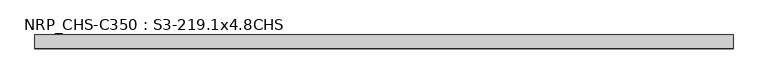
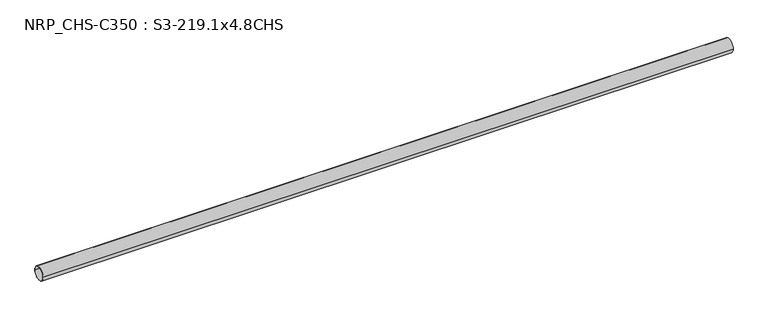
"""IFC4 building model written with IfcOpenShell, lengths in millimetres: beam geometry, NRP_CHS-C350 : S3-219.1x4.8CHS."""

from ifc_helpers import new_model, si_unit, point, frame, origin, origin_2d, place, context, project, spatial, circle_curve, trimmed, segment, composite_curve, outline, extrude, source, transform, mapped, element, save


def nrp_chs_c350_s3_219_1x4_8chs_9f10acbe(model_context):
    return source(origin(), model_context, "Body", "SweptSolid", [
        extrude(outline(composite_curve([segment(trimmed(circle_curve(origin_2d(), 109.55), [point((-109.55, 0.0))], [point((109.55, 0.0))], False, "CARTESIAN"), True, "CONTINUOUS"), segment(trimmed(circle_curve(origin_2d(), 109.55), [point((109.55, 0.0))], [point((-109.55, 0.0))], False, "CARTESIAN"), True, "CONTINUOUS")], self_intersect=False), holes=[composite_curve([segment(trimmed(circle_curve(origin_2d(), 104.75), [point((104.75, 0.0))], [point((-104.75, 0.0))], True, "CARTESIAN"), True, "CONTINUOUS"), segment(trimmed(circle_curve(origin_2d(), 104.75), [point((-104.75, 0.0))], [point((104.75, 0.0))], True, "CARTESIAN"), True, "CONTINUOUS")], self_intersect=False)]), frame((-5542.3, 0.0, 0.0), z_axis=(1.0, 0.0, 0.0), x_axis=(0.0, 1.0, 0.0)), (0.0, 0.0, 1.0), 10970.6),
    ])


if __name__ == "__main__":
    model = new_model("IFC4")
    model_context = context("Model", 3, world=origin())
    ifc_project = project(units=[si_unit("LENGTHUNIT", "METRE", prefix="MILLI")], contexts=[model_context])
    site = spatial("IfcSite", under=ifc_project)
    building = spatial("IfcBuilding", under=site)
    placement = place(None, origin())
    nrp_chs_c350_s3_219_1x4_8chs_shape = nrp_chs_c350_s3_219_1x4_8chs_9f10acbe(model_context)
    element("IfcBeam", 1, ObjectType="NRP_CHS-C350 : S3-219.1x4.8CHS", at=placement, inside=building, context=model_context, shape_type="MappedRepresentation", body=[
        mapped(nrp_chs_c350_s3_219_1x4_8chs_shape, transform((0.0, 0.0, 0.0), x_axis=(1.0, 0.0, 0.0), y_axis=(0.0, 1.0, 0.0), z_axis=(0.0, 0.0, 1.0))),
    ])
    save(model, "model.ifc")
